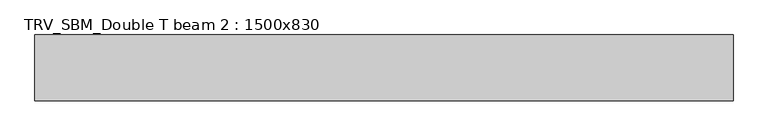
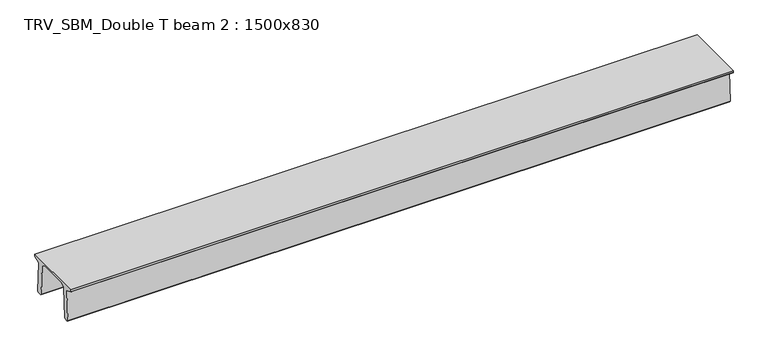
"""IFC4 building model written with IfcOpenShell, lengths in millimetres: beam geometry, TRV_SBM_Double T beam 2 : 1500x830."""

from ifc_helpers import new_model, si_unit, frame, origin, place, context, project, spatial, polyline, outline, extrude, source, transform, mapped, element, save


def trv_sbm_double_t_beam_2_1500x830_47485aff(model_context):
    return source(origin(), model_context, "Body", "SweptSolid", [
        extrude(outline(polyline([(337.4555014, 470.0), (-343.4555014, 470.0), (-456.5828437, 409.8491251), (-494.786332, -340.5206011), (-514.2657308, -360.0), (-604.2657308, -360.0), (-624.8277662, -339.4379646), (-586.9373878, 401.9654693), (-752.8511046, 468.9989621), (-753.0, 475.0), (-753.0, 520.0), (747.0, 520.0), (747.0, 475.0), (746.8511046, 468.9989621), (580.9373878, 401.9654693), (618.8277662, -339.4379646), (598.2657308, -360.0), (508.2657308, -360.0), (488.786332, -340.5206011), (450.5828437, 409.8491251), (337.4555014, 470.0)])), frame((-7917.0, 0.0, 0.0), z_axis=(1.0, 0.0, 0.0), x_axis=(0.0, 1.0, 0.0)), (0.0, 0.0, 1.0), 15911.0),
    ])


if __name__ == "__main__":
    model = new_model("IFC4")
    model_context = context("Model", 3, world=origin())
    ifc_project = project(units=[si_unit("LENGTHUNIT", "METRE", prefix="MILLI")], contexts=[model_context])
    site = spatial("IfcSite", under=ifc_project)
    building = spatial("IfcBuilding", under=site)
    placement = place(None, origin())
    trv_sbm_double_t_beam_2_1500x830_shape = trv_sbm_double_t_beam_2_1500x830_47485aff(model_context)
    element("IfcBeam", 1, ObjectType="TRV_SBM_Double T beam 2 : 1500x830", at=placement, inside=building, context=model_context, shape_type="MappedRepresentation", body=[
        mapped(trv_sbm_double_t_beam_2_1500x830_shape, transform((0.0, 0.0, 0.0), x_axis=(1.0, 0.0, 0.0), y_axis=(0.0, 1.0, 0.0), z_axis=(0.0, 0.0, 1.0))),
    ])
    save(model, "model.ifc")
